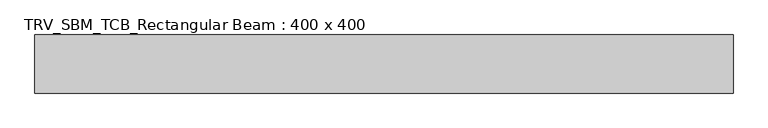
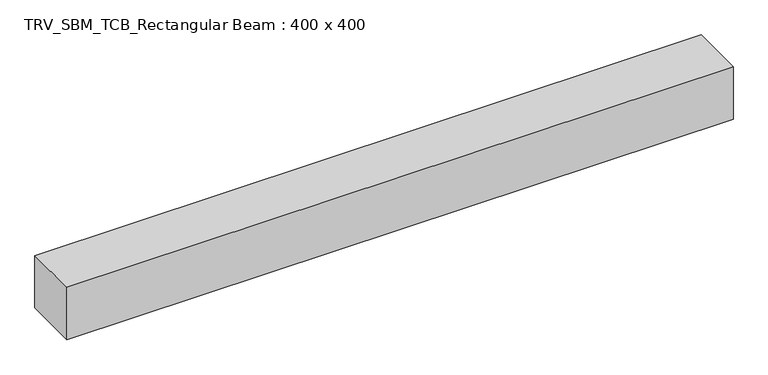
"""IFC4 building model written with IfcOpenShell, lengths in millimetres: beam geometry, TRV_SBM_TCB_Rectangular Beam : 400 x 400."""

from ifc_helpers import new_model, si_unit, frame, origin, place, context, project, spatial, polyline, outline, extrude, source, transform, mapped, element, save


def trv_sbm_tcb_rectangular_beam_400_x_400_5c5c6daa(model_context):
    return source(origin(), model_context, "Body", "SweptSolid", [
        extrude(outline(polyline([(2400.7, 200.0), (2400.7, -200.0), (-2400.7, -200.0), (-2400.7, 200.0), (2400.7, 200.0)])), frame((0.0, 0.0, -200.0), z_axis=(0.0, 0.0, 1.0), x_axis=(1.0, 0.0, 0.0)), (0.0, 0.0, 1.0), 400.0),
    ])


if __name__ == "__main__":
    model = new_model("IFC4")
    model_context = context("Model", 3, world=origin())
    ifc_project = project(units=[si_unit("LENGTHUNIT", "METRE", prefix="MILLI")], contexts=[model_context])
    site = spatial("IfcSite", under=ifc_project)
    building = spatial("IfcBuilding", under=site)
    placement = place(None, origin())
    trv_sbm_tcb_rectangular_beam_400_x_400_shape = trv_sbm_tcb_rectangular_beam_400_x_400_5c5c6daa(model_context)
    element("IfcBeam", 1, ObjectType="TRV_SBM_TCB_Rectangular Beam : 400 x 400", at=placement, inside=building, context=model_context, shape_type="MappedRepresentation", body=[
        mapped(trv_sbm_tcb_rectangular_beam_400_x_400_shape, transform((0.0, 0.0, 0.0), x_axis=(1.0, 0.0, 0.0), y_axis=(0.0, 1.0, 0.0), z_axis=(0.0, 0.0, 1.0))),
    ])
    save(model, "model.ifc")
